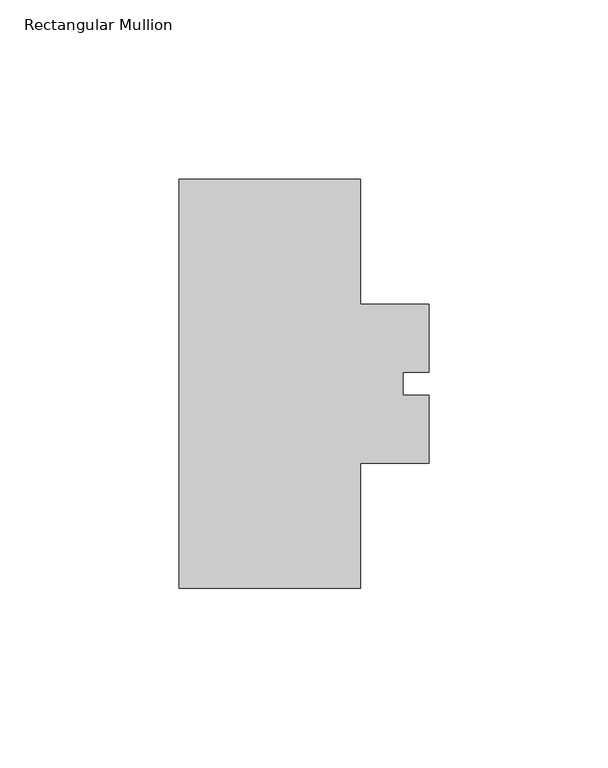
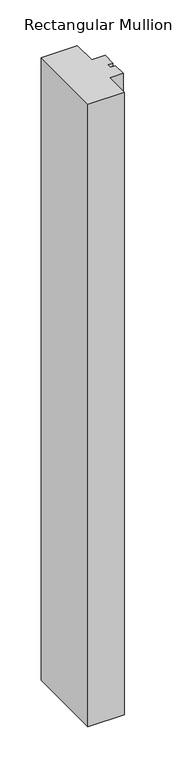
"""IFC4 building model written with IfcOpenShell, lengths in millimetres: member geometry, Rectangular Mullion."""

import ifcopenshell
import ifcopenshell.guid

model = None  # the IFC model being written
_history = None  # IfcOwnerHistory: only IFC2X3 demands one
_inside = {}  # id of a spatial element -> (the spatial element, [elements in it])
_under = {}  # id of a project, library or spatial element -> (it, [spatial elements below it])
_declared = {}  # id of a project -> (the project, [libraries it declares])
_typed = {}  # id of a type object -> (the type object, [elements of that type])
_made_of = {}  # id of a material, layer set ... -> (it, [elements and type objects made of it])


def new_model(schema):
    """Start an empty IFC model of exactly this schema.

    Asked for "IFC4X3", IfcOpenShell would pick the latest addendum, in which some entities
    have other attributes; the version numbers below select the first issue.
    IFC2X3 requires an IfcOwnerHistory on every rooted entity: one is made here for all.
    """
    global model, _history
    if schema == "IFC4X3":
        model = ifcopenshell.file(schema_version=(4, 3, 0, 0))
    else:
        model = ifcopenshell.file(schema=schema)
    _inside.clear()
    _under.clear()
    _declared.clear()
    _typed.clear()
    _made_of.clear()
    _history = None
    if model.schema == "IFC2X3":
        org = make("IfcOrganization", Name="unknown")
        user = make(
            "IfcPersonAndOrganization",
            ThePerson=make("IfcPerson", FamilyName="unknown"),
            TheOrganization=org,
        )
        app = make(
            "IfcApplication",
            ApplicationDeveloper=org,
            Version="unknown",
            ApplicationFullName="unknown",
            ApplicationIdentifier="unknown",
        )
        _history = make(
            "IfcOwnerHistory",
            OwningUser=user,
            OwningApplication=app,
            ChangeAction="ADDED",
            CreationDate=0,
        )
    return model


def make(cls, **values):
    """One entity of the class cls with the attributes given. An attribute that is None is left unset."""
    return model.create_entity(
        cls, **{name: value for name, value in values.items() if value is not None}
    )


def rooted(cls, **values):
    """An entity with a GlobalId (a new one), such as an element, a storey or a relation."""
    return make(cls, GlobalId=ifcopenshell.guid.new(), OwnerHistory=_history, **values)


def si_unit(unit_type, name, prefix=None):
    """IfcSIUnit, for example si_unit("LENGTHUNIT", "METRE", prefix="MILLI")."""
    return make("IfcSIUnit", UnitType=unit_type, Prefix=prefix, Name=name)


def assignment(units):
    """IfcUnitAssignment: the units of a project."""
    return None if units is None else make("IfcUnitAssignment", Units=units)


def point(xyz):
    """IfcCartesianPoint."""
    return None if xyz is None else make("IfcCartesianPoint", Coordinates=xyz)


def direction(xyz):
    """IfcDirection."""
    return None if xyz is None else make("IfcDirection", DirectionRatios=xyz)


def frame(location, z_axis=None, x_axis=None):
    """IfcAxis2Placement3D, a coordinate frame: its origin and axes. An axis left out is left unset."""
    return make(
        "IfcAxis2Placement3D",
        Location=point(location),
        Axis=direction(z_axis),
        RefDirection=direction(x_axis),
    )


def origin():
    """The frame at (0, 0, 0) with its axes left unset."""
    return frame((0.0, 0.0, 0.0))


def place(relative_to, where):
    """IfcLocalPlacement: puts the frame where relative to a parent placement (None: the world)."""
    return make(
        "IfcLocalPlacement", PlacementRelTo=relative_to, RelativePlacement=where
    )


def context(
    kind, dimensions, precision=None, world=None, true_north=None, identifier=None
):
    """IfcGeometricRepresentationContext, for example the 3D "Model" context."""
    return make(
        "IfcGeometricRepresentationContext",
        ContextIdentifier=identifier,
        ContextType=kind,
        CoordinateSpaceDimension=dimensions,
        Precision=precision,
        WorldCoordinateSystem=world,
        TrueNorth=true_north,
    )


def project(units=None, contexts=None):
    """IfcProject with its units and contexts."""
    return rooted(
        "IfcProject",
        Name="project",
        RepresentationContexts=contexts,
        UnitsInContext=assignment(units),
    )


def spatial(cls, under=None, at=None, **own):
    """A site, building, storey or space (cls), placed at a placement, below another one or the project."""
    s = rooted(cls, ObjectPlacement=at, **own)
    if under is not None:
        _under.setdefault(under.id(), (under, []))[1].append(s)
    return s


def polyline(points):
    """IfcPolyline through the points."""
    return make("IfcPolyline", Points=[point(p) for p in points])


def outline(outer, holes=None, kind="AREA"):
    """IfcArbitraryClosedProfileDef: a profile drawn as a closed curve; with holes, ...WithVoids."""
    if holes is None:
        return make("IfcArbitraryClosedProfileDef", ProfileType=kind, OuterCurve=outer)
    return make(
        "IfcArbitraryProfileDefWithVoids",
        ProfileType=kind,
        OuterCurve=outer,
        InnerCurves=holes,
    )


def extrude(swept, where, along, depth):
    """IfcExtrudedAreaSolid: the profile swept, set in the frame where, extruded along a direction by depth."""
    return make(
        "IfcExtrudedAreaSolid",
        SweptArea=swept,
        Position=where,
        ExtrudedDirection=direction(along),
        Depth=depth,
    )


def shape(context_of_items, identifier, shape_type, items):
    """IfcShapeRepresentation: the items that make up one representation, for example the "Body"."""
    return make(
        "IfcShapeRepresentation",
        ContextOfItems=context_of_items,
        RepresentationIdentifier=identifier,
        RepresentationType=shape_type,
        Items=items,
    )


def source(mapping_origin, context_of_items, identifier, shape_type, items):
    """IfcRepresentationMap: a shape defined once, which mapped items show again and again."""
    return make(
        "IfcRepresentationMap",
        MappingOrigin=mapping_origin,
        MappedRepresentation=shape(context_of_items, identifier, shape_type, items),
    )


def transform(
    local_origin,
    x_axis=None,
    y_axis=None,
    z_axis=None,
    scale=None,
    scale2=None,
    scale3=None,
    uniform=True,
):
    """IfcCartesianTransformationOperator3D, or its non-uniform kind. x_axis, y_axis, z_axis: its Axis1, 2, 3."""
    if uniform:
        return make(
            "IfcCartesianTransformationOperator3D",
            Axis1=direction(x_axis),
            Axis2=direction(y_axis),
            LocalOrigin=point(local_origin),
            Scale=scale,
            Axis3=direction(z_axis),
        )
    return make(
        "IfcCartesianTransformationOperator3DnonUniform",
        Axis1=direction(x_axis),
        Axis2=direction(y_axis),
        LocalOrigin=point(local_origin),
        Scale=scale,
        Axis3=direction(z_axis),
        Scale2=scale2,
        Scale3=scale3,
    )


def mapped(mapping_source, mapping_target):
    """IfcMappedItem: shows the shape of a source again, moved by a transform."""
    return make(
        "IfcMappedItem", MappingSource=mapping_source, MappingTarget=mapping_target
    )


def made_of(thing, what):
    """Note that an element or type object is made of a material, layer set ...; save() writes the relation."""
    if what is not None:
        _made_of.setdefault(what.id(), (what, []))[1].append(thing)
    return thing


def element(
    cls,
    number,
    at=None,
    inside=None,
    cuts=None,
    type_object=None,
    material=None,
    context=None,
    identifier="Body",
    shape_type=None,
    held_by="IfcProductDefinitionShape",
    body=None,
    shapes=None,
    **own,
):
    """One element of the class cls, such as IfcWall. Its Tag is "e" and its number.

    at: its placement. inside: the storey or other place that contains it. cuts: it is an
    opening in that element (IfcRelVoidsElement). A single representation is given by context,
    identifier, shape_type and body (its items); several are given by shapes. held_by: the class
    of the entity that holds the representations. save() writes the other relations.
    """
    e = rooted(cls, Tag="e%d" % number, ObjectPlacement=at, **own)
    if body is not None:
        shapes = [shape(context, identifier, shape_type, body)]
    if shapes is not None:
        e.Representation = make(held_by, Representations=shapes)
    if inside is not None:
        _inside.setdefault(inside.id(), (inside, []))[1].append(e)
    if cuts is not None:
        rooted(
            "IfcRelVoidsElement", RelatingBuildingElement=cuts, RelatedOpeningElement=e
        )
    if type_object is not None:
        _typed.setdefault(type_object.id(), (type_object, []))[1].append(e)
    return made_of(e, material)


def aggregate(whole, parts):
    """IfcRelAggregates: a whole, such as a stair, and the parts it consists of."""
    return rooted("IfcRelAggregates", RelatingObject=whole, RelatedObjects=parts)


def save(model, path):
    """Write the relations noted so far, then the file.

    IfcRelAggregates (storeys below a building ...), IfcRelContainedInSpatialStructure (elements
    in a storey), IfcRelDefinesByType, IfcRelAssociatesMaterial and IfcRelDeclares: one each for
    every whole, place, type object, material and project.
    """
    for whole, parts in _under.values():
        aggregate(whole, parts)
    for where, things in _inside.values():
        rooted(
            "IfcRelContainedInSpatialStructure",
            RelatedElements=things,
            RelatingStructure=where,
        )
    for kind, things in _typed.values():
        rooted("IfcRelDefinesByType", RelatedObjects=things, RelatingType=kind)
    for what, things in _made_of.values():
        rooted("IfcRelAssociatesMaterial", RelatedObjects=things, RelatingMaterial=what)
    for by, libraries in _declared.values():
        rooted("IfcRelDeclares", RelatingContext=by, RelatedDefinitions=libraries)
    model.write(path)


def rectangular_mullion_1c31e4d6(model_context):
    return source(origin(), model_context, "Body", "SweptSolid", [
        extrude(outline(polyline([(29.7344027, 57.15), (29.7344027, 22.1896686), (48.7841487, 22.1896686), (48.7841487, 3.175), (41.5516622, 3.175), (41.5516622, -3.175), (48.7826247, -3.175), (48.7826247, -22.225), (29.7344027, -22.225), (29.7344027, -57.15), (-21.0655973, -57.15), (-21.0655973, 57.15), (29.7344027, 57.15)])), frame((0.0, 0.0, -925.9405973), z_axis=(0.0, 0.0, 1.0), x_axis=(1.0, 0.0, 0.0)), (0.0, 0.0, 1.0), 925.9405973),
    ])


if __name__ == "__main__":
    model = new_model("IFC4")
    model_context = context("Model", 3, world=origin())
    ifc_project = project(units=[si_unit("LENGTHUNIT", "METRE", prefix="MILLI")], contexts=[model_context])
    site = spatial("IfcSite", under=ifc_project)
    building = spatial("IfcBuilding", under=site)
    placement = place(None, origin())
    rectangular_mullion_shape = rectangular_mullion_1c31e4d6(model_context)
    element("IfcMember", 1, ObjectType="Rectangular Mullion", at=placement, inside=building, context=model_context, shape_type="MappedRepresentation", body=[
        mapped(rectangular_mullion_shape, transform((0.0, 0.0, 0.0), x_axis=(1.0, 0.0, 0.0), y_axis=(0.0, 1.0, 0.0), z_axis=(0.0, 0.0, 1.0))),
    ])
    save(model, "model.ifc")
